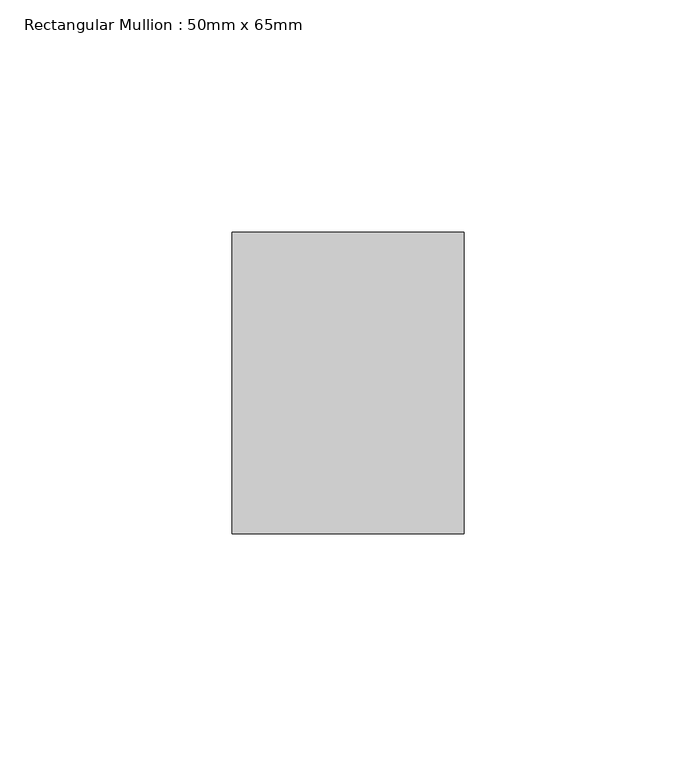
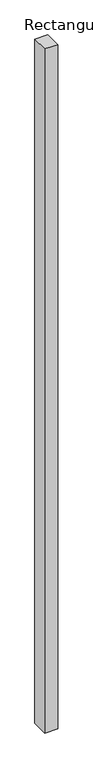
"""IFC4 building model written with IfcOpenShell, lengths in millimetres: member geometry, Rectangular Mullion : 50mm x 65mm."""

from ifc_helpers import new_model, si_unit, frame, origin, place, context, project, spatial, polyline, outline, extrude, source, transform, mapped, element, save


def rectangular_mullion_50mm_x_65mm_01fcb089(model_context):
    return source(origin(), model_context, "Body", "SweptSolid", [
        extrude(outline(polyline([(25.0, 32.5), (25.0, -32.5), (-25.0, -32.5), (-25.0, 32.5), (25.0, 32.5)])), frame((0.0, 0.0, -2773.891344), z_axis=(0.0, 0.0, 1.0), x_axis=(1.0, 0.0, 0.0)), (0.0, 0.0, 1.0), 2773.891344),
    ])


if __name__ == "__main__":
    model = new_model("IFC4")
    model_context = context("Model", 3, world=origin())
    ifc_project = project(units=[si_unit("LENGTHUNIT", "METRE", prefix="MILLI")], contexts=[model_context])
    site = spatial("IfcSite", under=ifc_project)
    building = spatial("IfcBuilding", under=site)
    placement = place(None, origin())
    rectangular_mullion_50mm_x_65mm_shape = rectangular_mullion_50mm_x_65mm_01fcb089(model_context)
    element("IfcMember", 1, ObjectType="Rectangular Mullion : 50mm x 65mm", at=placement, inside=building, context=model_context, shape_type="MappedRepresentation", body=[
        mapped(rectangular_mullion_50mm_x_65mm_shape, transform((0.0, 0.0, 0.0), x_axis=(1.0, 0.0, 0.0), y_axis=(0.0, 1.0, 0.0), z_axis=(0.0, 0.0, 1.0))),
    ])
    save(model, "model.ifc")
